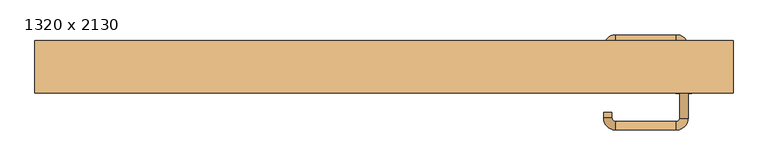
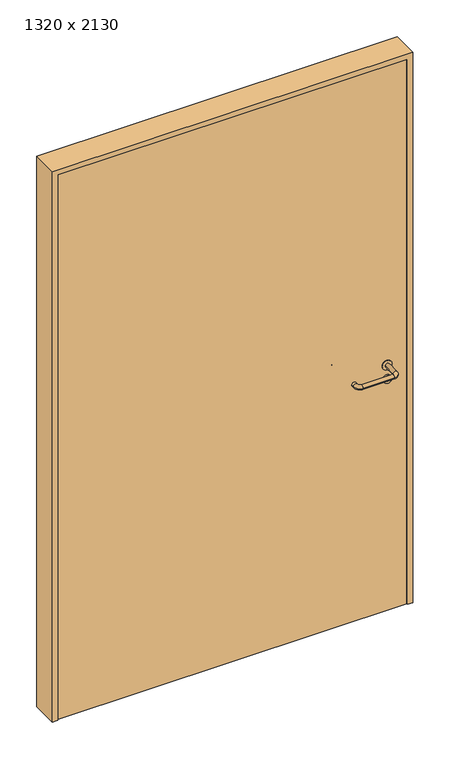
"""IFC4 building model written with IfcOpenShell, lengths in millimetres: door geometry, 1320 x 2130."""

from ifc_helpers import new_model, si_unit, point, frame, frame_2d, origin, origin_with_axes, place, context, project, spatial, polyline, circle_curve, ellipse_curve, trimmed, segment, composite_curve, outline, extrude, source, transform, mapped, element, save
from ifc_brep_helpers import plane_surface, cylinder_surface, revolved_surface, advanced_brep


def door_1320_x_2130_a75f8cba(model_context):
    return source(origin(), model_context, "Body", "SolidModel", [
        extrude(outline(composite_curve([segment(trimmed(circle_curve(frame_2d((897.3605726, 567.0)), 15.0), [point((897.3605726, 582.0))], [point((897.3605726, 552.0))], False, "CARTESIAN"), True, "CONTINUOUS"), segment(trimmed(circle_curve(frame_2d((897.3605726, 567.0)), 15.0), [point((897.3605726, 552.0))], [point((897.3605726, 582.0))], False, "CARTESIAN"), True, "CONTINUOUS")], self_intersect=False), holes=[composite_curve([segment(trimmed(circle_curve(frame_2d((892.5833211, 566.9398032)), 2.0), [point((892.5833211, 568.9398032))], [point((892.5833211, 564.9398032))], True, "CARTESIAN"), True, "CONTINUOUS"), segment(polyline([(892.5833211, 564.9398032), (902.5833211, 564.9398032)]), True, "CONTINUOUS"), segment(trimmed(circle_curve(frame_2d((902.5833211, 566.9398032)), 2.0), [point((902.5833211, 564.9398032))], [point((902.5833211, 568.9398032))], True, "CARTESIAN"), True, "CONTINUOUS"), segment(polyline([(902.5833211, 568.9398032), (892.5833211, 568.9398032)]), True, "CONTINUOUS")], self_intersect=False)]), frame((0.0, -15.0, 0.0), z_axis=(0.0, 1.0, 0.0), x_axis=(0.0, 0.0, 1.0)), (0.0, 0.0, 1.0), 6.35),
        extrude(outline(composite_curve([segment(trimmed(circle_curve(frame_2d((950.0, 567.0)), 17.526), [point((950.0, 584.526))], [point((950.0, 549.474))], False, "CARTESIAN"), True, "CONTINUOUS"), segment(trimmed(circle_curve(frame_2d((950.0, 567.0)), 17.526), [point((950.0, 549.474))], [point((950.0, 584.526))], False, "CARTESIAN"), True, "CONTINUOUS")], self_intersect=False)), frame((0.0, -15.0, 0.0), z_axis=(0.0, 1.0, 0.0), x_axis=(0.0, 0.0, 1.0)), (0.0, 0.0, 1.0), 3.175),
        advanced_brep(
        [(575.0, -15.0, 950.0), (559.0, -15.0, 950.0), (575.0, 38.0, 950.0), (559.0, 38.0, 950.0), (552.8578644, 44.1421356, 950.0), (552.8578644, 60.1421356, 950.0), (437.8578644, 60.1421356, 950.0), (437.8578644, 44.1421356, 950.0), (431.008622, 37.2928932, 950.0), (415.008622, 37.2928932, 950.0), (415.008622, 27.2928932, 950.0), (431.008622, 27.2928932, 950.0)],
        [
            (0, 1, circle_curve(frame((567.0, -15.0, 950.0), z_axis=(0.0, -1.0, 0.0), x_axis=(-1.0, 0.0, 0.0)), 8.0)),
            (1, 0, circle_curve(frame((567.0, -15.0, 950.0), z_axis=(0.0, -1.0, 0.0), x_axis=(-1.0, 0.0, 0.0)), 8.0)),
            (0, 2),
            (2, 3, circle_curve(frame((567.0, 38.0, 950.0), z_axis=(0.0, -1.0, 0.0), x_axis=(-1.0, 0.0, 0.0)), 8.0)),
            (3, 1),
            (3, 2, circle_curve(frame((567.0, 38.0, 950.0), z_axis=(0.0, -1.0, 0.0), x_axis=(-1.0, 0.0, 0.0)), 8.0)),
            (4, 3, circle_curve(frame((552.8578644, 38.0, 950.0), z_axis=(0.0, 0.0, -1.0), x_axis=(1.0, 0.0, 0.0)), 6.1421356)),
            (2, 5, circle_curve(frame((552.8578644, 38.0, 950.0), z_axis=(0.0, 0.0, 1.0), x_axis=(1.0, 0.0, 0.0)), 22.1421356)),
            (5, 4, circle_curve(frame((552.8578644, 52.1421356, 950.0), z_axis=(1.0, 0.0, 0.0), x_axis=(0.0, -1.0, 0.0)), 8.0)),
            (4, 5, circle_curve(frame((552.8578644, 52.1421356, 950.0), z_axis=(1.0, 0.0, 0.0), x_axis=(0.0, -1.0, 0.0)), 8.0)),
            (5, 6),
            (6, 7, circle_curve(frame((437.8578644, 52.1421356, 950.0), z_axis=(1.0, 0.0, 0.0), x_axis=(0.0, -1.0, 0.0)), 8.0)),
            (7, 4),
            (7, 6, circle_curve(frame((437.8578644, 52.1421356, 950.0), z_axis=(1.0, 0.0, 0.0), x_axis=(0.0, -1.0, 0.0)), 8.0)),
            (8, 7, circle_curve(frame((437.8578644, 37.2928932, 950.0), z_axis=(0.0, 0.0, -1.0), x_axis=(0.0, 1.0, 0.0)), 6.8492424)),
            (6, 9, circle_curve(frame((437.8578644, 37.2928932, 950.0), z_axis=(0.0, 0.0, 1.0), x_axis=(0.0, 1.0, 0.0)), 22.8492424)),
            (9, 8, circle_curve(frame((423.008622, 37.2928932, 950.0), z_axis=(0.0, 1.0, 0.0), x_axis=(1.0, 0.0, 0.0)), 8.0)),
            (8, 9, circle_curve(frame((423.008622, 37.2928932, 950.0), z_axis=(0.0, 1.0, 0.0), x_axis=(1.0, 0.0, 0.0)), 8.0)),
            (10, 11, circle_curve(frame((423.008622, 27.2928932, 950.0), z_axis=(0.0, -1.0, 0.0), x_axis=(1.0, 0.0, 0.0)), 8.0)),
            (11, 10, circle_curve(frame((423.008622, 27.2928932, 950.0), z_axis=(0.0, -1.0, 0.0), x_axis=(1.0, 0.0, 0.0)), 8.0)),
            (9, 10),
            (11, 8),
        ],
        [
            plane_surface(frame((567.0, -15.0, 0.0), z_axis=(0.0, -1.0, 0.0), x_axis=(0.0, 0.0, 1.0))),
            cylinder_surface(frame((567.0, -15.0, 950.0), z_axis=(0.0, -1.0, 0.0), x_axis=(-1.0, 0.0, 0.0)), 8.0),
            revolved_surface(trimmed(ellipse_curve(frame((567.0, 38.0, 950.0), z_axis=(0.0, -1.0, 0.0), x_axis=(-1.0, 0.0, 0.0)), 8.0, 8.0), [point((575.0, 38.0, 950.0))], [point((559.0, 38.0, 950.0))], True, "CARTESIAN"), (552.8578644, 38.0, 0.0), (0.0, 0.0, 1.0)),
            revolved_surface(trimmed(ellipse_curve(frame((567.0, 38.0, 950.0), z_axis=(0.0, -1.0, 0.0), x_axis=(-1.0, 0.0, 0.0)), 8.0, 8.0), [point((559.0, 38.0, 950.0))], [point((575.0, 38.0, 950.0))], True, "CARTESIAN"), (552.8578644, 38.0, 0.0), (0.0, 0.0, 1.0)),
            cylinder_surface(frame((552.8578644, 52.1421356, 950.0), z_axis=(1.0, 0.0, 0.0), x_axis=(0.0, -1.0, 0.0)), 8.0),
            revolved_surface(trimmed(ellipse_curve(frame((437.8578644, 52.1421356, 950.0), z_axis=(1.0, 0.0, 0.0), x_axis=(0.0, -1.0, 0.0)), 8.0, 8.0), [point((437.8578644, 60.1421356, 950.0))], [point((437.8578644, 44.1421356, 950.0))], True, "CARTESIAN"), (437.8578644, 37.2928932, 0.0), (0.0, 0.0, 1.0)),
            revolved_surface(trimmed(ellipse_curve(frame((437.8578644, 52.1421356, 950.0), z_axis=(1.0, 0.0, 0.0), x_axis=(0.0, -1.0, 0.0)), 8.0, 8.0), [point((437.8578644, 44.1421356, 950.0))], [point((437.8578644, 60.1421356, 950.0))], True, "CARTESIAN"), (437.8578644, 37.2928932, 0.0), (0.0, 0.0, 1.0)),
            plane_surface(frame((423.008622, 27.2928932, 0.0), z_axis=(0.0, -1.0, 0.0), x_axis=(0.0, 0.0, 1.0))),
            cylinder_surface(frame((423.008622, 37.2928932, 950.0), z_axis=(0.0, 1.0, 0.0), x_axis=(1.0, 0.0, 0.0)), 8.0),
        ],
        [
            (0, [[1, 2]]),
            (1, [[-1, 3, 4, 5]]),
            (1, [[-2, -5, 6, -3]]),
            (2, [[7, -4, 8, 9]]),
            (3, [[-8, -6, -7, 10]]),
            (4, [[-9, 11, 12, 13]]),
            (4, [[-10, -13, 14, -11]]),
            (5, [[15, -12, 16, 17]]),
            (6, [[-16, -14, -15, 18]]),
            (7, [[19, 20]]),
            (8, [[-17, 21, -20, 22]]),
            (8, [[-18, -22, -19, -21]]),
        ],
    ),
        extrude(outline(composite_curve([segment(trimmed(circle_curve(frame_2d((0.0, 15.0)), 15.0), [point((0.0, 30.0))], [point((0.0, 0.0))], False, "CARTESIAN"), True, "CONTINUOUS"), segment(trimmed(circle_curve(frame_2d((0.0, 15.0)), 15.0), [point((0.0, 0.0))], [point((0.0, 30.0))], False, "CARTESIAN"), True, "CONTINUOUS")], self_intersect=False), holes=[composite_curve([segment(trimmed(circle_curve(frame_2d((-4.7772515, 14.9398032)), 2.0), [point((-4.7772515, 16.9398032))], [point((-4.7772515, 12.9398032))], True, "CARTESIAN"), True, "CONTINUOUS"), segment(polyline([(-4.7772515, 12.9398032), (5.2227485, 12.9398032)]), True, "CONTINUOUS"), segment(trimmed(circle_curve(frame_2d((5.2227485, 14.9398032)), 2.0), [point((5.2227485, 12.9398032))], [point((5.2227485, 16.9398032))], True, "CARTESIAN"), True, "CONTINUOUS"), segment(polyline([(5.2227485, 16.9398032), (-4.7772515, 16.9398032)]), True, "CONTINUOUS")], self_intersect=False)]), frame((552.0, -51.35, 897.3605726), z_axis=(-1.8870575173328306e-12, 1.0, 0.0), x_axis=(0.0, 0.0, 1.0)), (0.0, 0.0, 1.0), 6.35),
        extrude(outline(composite_curve([segment(trimmed(circle_curve(frame_2d((0.0, 17.526)), 17.526), [point((0.0, 35.052))], [point((0.0, 0.0))], False, "CARTESIAN"), True, "CONTINUOUS"), segment(trimmed(circle_curve(frame_2d((0.0, 17.526)), 17.526), [point((0.0, 0.0))], [point((0.0, 35.052))], False, "CARTESIAN"), True, "CONTINUOUS")], self_intersect=False)), frame((549.474, -48.175, 950.0), z_axis=(-1.8870575173328306e-12, 1.0, 0.0), x_axis=(0.0, 0.0, 1.0)), (0.0, 0.0, 1.0), 3.175),
        advanced_brep(
        [(575.0, -45.0, 950.0), (559.0, -45.0, 950.0), (559.0, -98.0, 950.0), (575.0, -98.0, 950.0), (552.8578644, -104.1421356, 950.0), (552.8578644, -120.1421356, 950.0), (437.8578644, -104.1421356, 950.0), (437.8578644, -120.1421356, 950.0), (431.008622, -97.2928932, 950.0), (415.008622, -97.2928932, 950.0), (415.008622, -87.2928932, 950.0), (431.008622, -87.2928932, 950.0)],
        [
            (0, 1, circle_curve(frame((567.0, -45.0, 950.0), z_axis=(-1.888672253512351e-12, 1.0, 0.0), x_axis=(-1.0, -1.888672253512351e-12, 0.0)), 8.0)),
            (1, 0, circle_curve(frame((567.0, -45.0, 950.0), z_axis=(-1.888672253512351e-12, 1.0, 0.0), x_axis=(-1.0, -1.888672253512351e-12, 0.0)), 8.0)),
            (1, 2),
            (2, 3, circle_curve(frame((567.0, -98.0, 950.0), z_axis=(-1.888672253512351e-12, 1.0, 0.0), x_axis=(-1.0, -1.888672253512351e-12, 0.0)), 8.0)),
            (3, 0),
            (3, 2, circle_curve(frame((567.0, -98.0, 950.0), z_axis=(-1.888672253512351e-12, 1.0, 0.0), x_axis=(-1.0, -1.888672253512351e-12, 0.0)), 8.0)),
            (4, 5, circle_curve(frame((552.8578644, -112.1421356, 950.0), z_axis=(1.0, 1.913702061528922e-12, 0.0), x_axis=(-1.913702061528922e-12, 1.0, 0.0)), 8.0)),
            (5, 3, circle_curve(frame((552.8578644, -98.0, 950.0), z_axis=(0.0, 0.0, 1.0), x_axis=(1.0, 1.880717803715015e-12, 0.0)), 22.1421356)),
            (2, 4, circle_curve(frame((552.8578644, -98.0, 950.0), z_axis=(0.0, 0.0, -1.0), x_axis=(1.0, 1.880717803715015e-12, 0.0)), 6.1421356)),
            (5, 4, circle_curve(frame((552.8578644, -112.1421356, 950.0), z_axis=(1.0, 1.913702061528922e-12, 0.0), x_axis=(-1.913702061528922e-12, 1.0, 0.0)), 8.0)),
            (4, 6),
            (6, 7, circle_curve(frame((437.8578644, -112.1421356, 950.0), z_axis=(1.0, 1.913719828541269e-12, 0.0), x_axis=(-1.913719828541269e-12, 1.0, 0.0)), 8.0)),
            (7, 5),
            (7, 6, circle_curve(frame((437.8578644, -112.1421356, 950.0), z_axis=(1.0, 1.913719828541269e-12, 0.0), x_axis=(-1.913719828541269e-12, 1.0, 0.0)), 8.0)),
            (8, 9, circle_curve(frame((423.008622, -97.2928932, 950.0), z_axis=(1.8888942981172756e-12, -1.0, 0.0), x_axis=(1.0, 1.8888942981172756e-12, 0.0)), 8.0)),
            (9, 7, circle_curve(frame((437.8578644, -97.2928932, 950.0), z_axis=(0.0, 0.0, 1.0), x_axis=(1.9120873253494017e-12, -1.0, 0.0)), 22.8492424)),
            (6, 8, circle_curve(frame((437.8578644, -97.2928932, 950.0), z_axis=(0.0, 0.0, -1.0), x_axis=(1.9120873253494017e-12, -1.0, 0.0)), 6.8492424)),
            (9, 8, circle_curve(frame((423.008622, -97.2928932, 950.0), z_axis=(1.890448610351751e-12, -1.0, 0.0), x_axis=(1.0, 1.890448610351751e-12, 0.0)), 8.0)),
            (10, 11, circle_curve(frame((423.008622, -87.2928932, 950.0), z_axis=(-1.8903642334018795e-12, 1.0, 0.0), x_axis=(1.0, 1.8903642334018795e-12, 0.0)), 8.0)),
            (11, 10, circle_curve(frame((423.008622, -87.2928932, 950.0), z_axis=(-1.8903642334018795e-12, 1.0, 0.0), x_axis=(1.0, 1.8903642334018795e-12, 0.0)), 8.0)),
            (8, 11),
            (10, 9),
        ],
        [
            plane_surface(frame((567.0, -45.0, 0.0), z_axis=(-1.8870575173328306e-12, 1.0, 0.0), x_axis=(0.0, 0.0, 1.0))),
            cylinder_surface(frame((567.0, -45.0, 950.0), z_axis=(-1.888672253512351e-12, 1.0, 0.0), x_axis=(-1.0, -1.888672253512351e-12, 0.0)), 8.0),
            revolved_surface(trimmed(ellipse_curve(frame((567.0, -98.0, 950.0), z_axis=(1.8823325398945356e-12, -1.0, 0.0), x_axis=(-1.0, -1.8823325398945356e-12, 0.0)), 8.0, 8.0), [point((575.0, -98.0, 950.0))], [point((559.0, -98.0, 950.0))], True, "CARTESIAN"), (552.8578644, -98.0, 0.0), (0.0, 0.0, 1.0)),
            revolved_surface(trimmed(ellipse_curve(frame((567.0, -98.0, 950.0), z_axis=(1.8823325398945356e-12, -1.0, 0.0), x_axis=(-1.0, -1.8823325398945356e-12, 0.0)), 8.0, 8.0), [point((559.0, -98.0, 950.0))], [point((575.0, -98.0, 950.0))], True, "CARTESIAN"), (552.8578644, -98.0, 0.0), (0.0, 0.0, 1.0)),
            cylinder_surface(frame((552.8578644, -112.1421356, 950.0), z_axis=(1.0, 1.913719828541269e-12, 0.0), x_axis=(-1.913719828541269e-12, 1.0, 0.0)), 8.0),
            revolved_surface(trimmed(ellipse_curve(frame((437.8578644, -112.1421356, 950.0), z_axis=(-1.0, -1.913702061528922e-12, 0.0), x_axis=(-1.913702061528922e-12, 1.0, 0.0)), 8.0, 8.0), [point((437.8578644, -120.1421356, 950.0))], [point((437.8578644, -104.1421356, 950.0))], True, "CARTESIAN"), (437.8578644, -97.2928932, 0.0), (0.0, 0.0, 1.0)),
            revolved_surface(trimmed(ellipse_curve(frame((437.8578644, -112.1421356, 950.0), z_axis=(-1.0, -1.913702061528922e-12, 0.0), x_axis=(-1.913702061528922e-12, 1.0, 0.0)), 8.0, 8.0), [point((437.8578644, -104.1421356, 950.0))], [point((437.8578644, -120.1421356, 950.0))], True, "CARTESIAN"), (437.8578644, -97.2928932, 0.0), (0.0, 0.0, 1.0)),
            plane_surface(frame((423.008622, -87.2928932, 0.0), z_axis=(-1.8887494972223595e-12, 1.0, 0.0), x_axis=(0.0, 0.0, 1.0))),
            cylinder_surface(frame((423.008622, -97.2928932, 950.0), z_axis=(1.8903642334018795e-12, -1.0, 0.0), x_axis=(1.0, 1.8903642334018795e-12, 0.0)), 8.0),
        ],
        [
            (0, [[1, 2]]),
            (1, [[3, 4, 5, -2]]),
            (1, [[-5, 6, -3, -1]]),
            (2, [[7, 8, -4, 9]]),
            (3, [[10, -9, -6, -8]]),
            (4, [[11, 12, 13, -7]]),
            (4, [[-13, 14, -11, -10]]),
            (5, [[15, 16, -12, 17]]),
            (6, [[18, -17, -14, -16]]),
            (7, [[19, 20]]),
            (8, [[21, -19, 22, -15]]),
            (8, [[-22, -20, -21, -18]]),
        ],
    ),
        extrude(outline(polyline([(2110.0, 640.0), (0.0, 640.0), (0.0, 660.0), (2130.0, 660.0), (2130.0, -660.0), (0.0, -660.0), (0.0, -640.0), (2110.0, -640.0), (2110.0, 640.0)])), frame((0.0, -50.0, 0.0), z_axis=(0.0, 1.0, 0.0), x_axis=(0.0, 0.0, 1.0)), (0.0, 0.0, 1.0), 99.0),
        extrude(outline(polyline([(-640.0, -45.0), (-640.0, -15.0), (640.0, -15.0), (640.0, -45.0), (-640.0, -45.0)])), origin_with_axes(), (0.0, 0.0, 1.0), 2110.0),
    ])


if __name__ == "__main__":
    model = new_model("IFC4")
    model_context = context("Model", 3, world=origin())
    ifc_project = project(units=[si_unit("LENGTHUNIT", "METRE", prefix="MILLI")], contexts=[model_context])
    site = spatial("IfcSite", under=ifc_project)
    building = spatial("IfcBuilding", under=site)
    placement = place(None, origin())
    door_1320_x_2130_shape = door_1320_x_2130_a75f8cba(model_context)
    element("IfcDoor", 1, ObjectType="1320 x 2130", at=placement, inside=building, context=model_context, shape_type="MappedRepresentation", body=[
        mapped(door_1320_x_2130_shape, transform((0.0, 0.0, 0.0), x_axis=(1.0, 0.0, 0.0), y_axis=(0.0, 1.0, 0.0), z_axis=(0.0, 0.0, 1.0))),
    ])
    save(model, "model.ifc")
